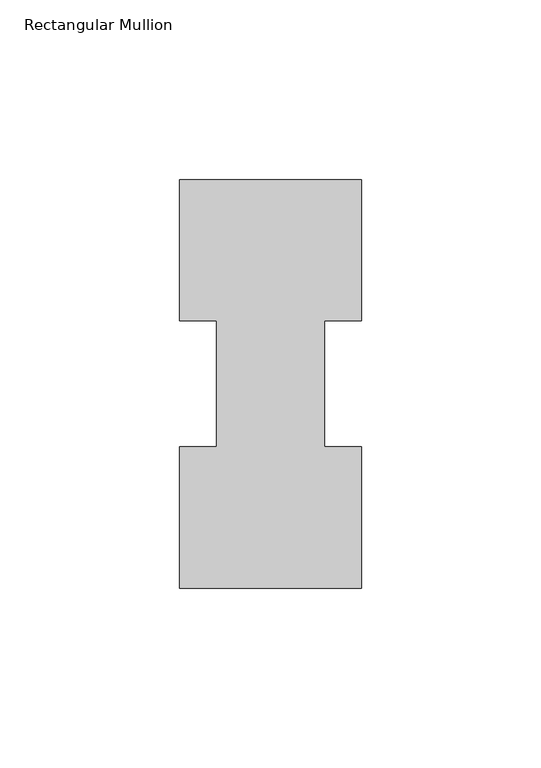
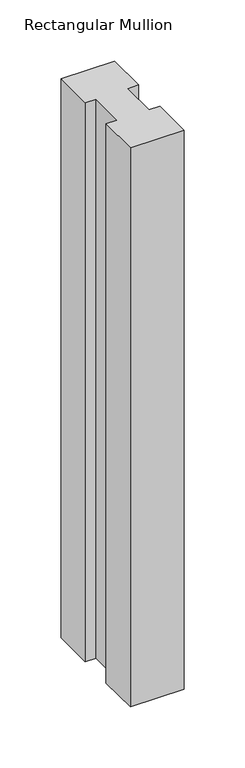
"""IFC4 building model written with IfcOpenShell, lengths in millimetres: member geometry, Rectangular Mullion."""

from ifc_helpers import new_model, si_unit, frame, origin, place, context, project, spatial, polyline, outline, extrude, source, transform, mapped, element, save


def rectangular_mullion_62825136(model_context):
    return source(origin(), model_context, "Body", "SweptSolid", [
        extrude(outline(polyline([(-50.8, 114.017425), (0.0, 114.017425), (0.0, 74.622025), (-10.3124046, 74.622025), (-10.3124046, 39.646225), (0.0, 39.646225), (0.0, 0.225425), (-50.8, 0.225425), (-50.8, 39.646225), (-40.4875954, 39.646225), (-40.4875954, 74.622025), (-50.8, 74.622025), (-50.8, 114.017425)])), frame((0.0, 0.0, -558.8), z_axis=(0.0, 0.0, 1.0), x_axis=(1.0, 0.0, 0.0)), (0.0, 0.0, 1.0), 558.8),
    ])


if __name__ == "__main__":
    model = new_model("IFC4")
    model_context = context("Model", 3, world=origin())
    ifc_project = project(units=[si_unit("LENGTHUNIT", "METRE", prefix="MILLI")], contexts=[model_context])
    site = spatial("IfcSite", under=ifc_project)
    building = spatial("IfcBuilding", under=site)
    placement = place(None, origin())
    rectangular_mullion_shape = rectangular_mullion_62825136(model_context)
    element("IfcMember", 1, ObjectType="Rectangular Mullion", at=placement, inside=building, context=model_context, shape_type="MappedRepresentation", body=[
        mapped(rectangular_mullion_shape, transform((0.0, 0.0, 0.0), x_axis=(1.0, 0.0, 0.0), y_axis=(0.0, 1.0, 0.0), z_axis=(0.0, 0.0, 1.0))),
    ])
    save(model, "model.ifc")
